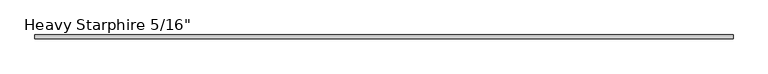
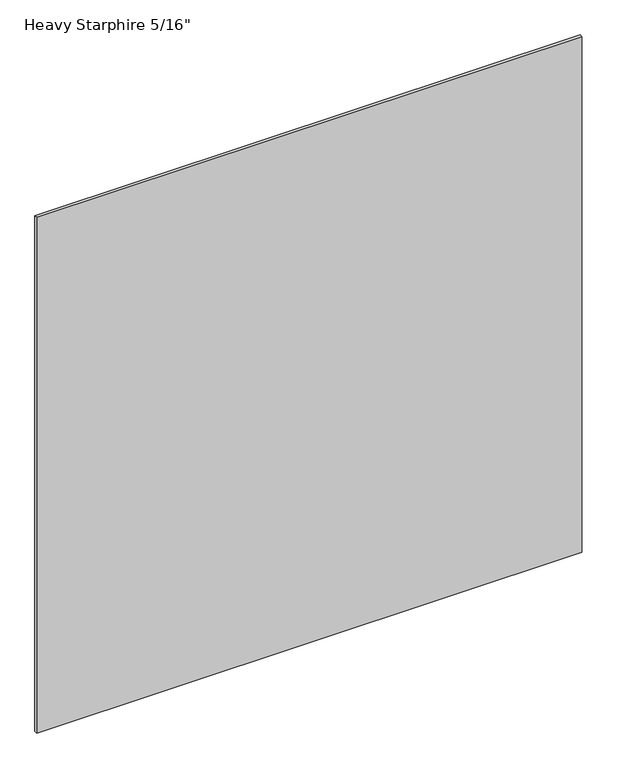
"""IFC4 building model written with IfcOpenShell, lengths in millimetres: plate geometry."""

from ifc_helpers import new_model, si_unit, origin, origin_with_axes, place, context, project, spatial, polyline, outline, extrude, source, transform, mapped, element, save


def plate_1a1de222(model_context):
    return source(origin(), model_context, "Body", "SweptSolid", [
        extrude(outline(polyline([(762.0, 3.96875), (762.0, -3.96875), (-762.0, -3.96875), (-762.0, 3.96875), (762.0, 3.96875)])), origin_with_axes(), (0.0, 0.0, 1.0), 1524.0),
    ])


if __name__ == "__main__":
    model = new_model("IFC4")
    model_context = context("Model", 3, world=origin())
    ifc_project = project(units=[si_unit("LENGTHUNIT", "METRE", prefix="MILLI")], contexts=[model_context])
    site = spatial("IfcSite", under=ifc_project)
    building = spatial("IfcBuilding", under=site)
    placement = place(None, origin())
    plate_shape = plate_1a1de222(model_context)
    element("IfcPlate", 1, ObjectType="Heavy Starphire 5/16\"", at=placement, inside=building, context=model_context, shape_type="MappedRepresentation", body=[
        mapped(plate_shape, transform((0.0, 0.0, 0.0), x_axis=(1.0, 0.0, 0.0), y_axis=(0.0, 1.0, 0.0), z_axis=(0.0, 0.0, 1.0))),
    ])
    save(model, "model.ifc")
